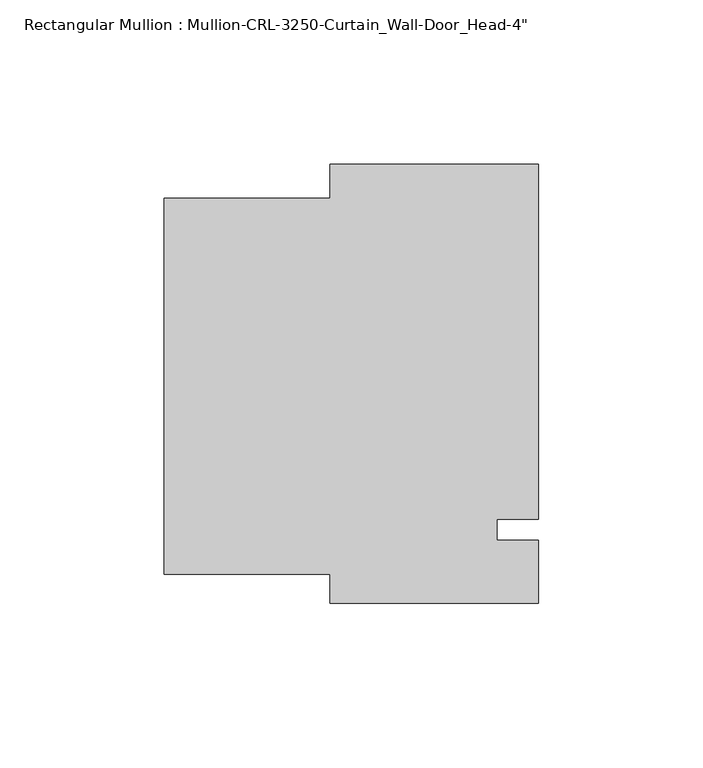
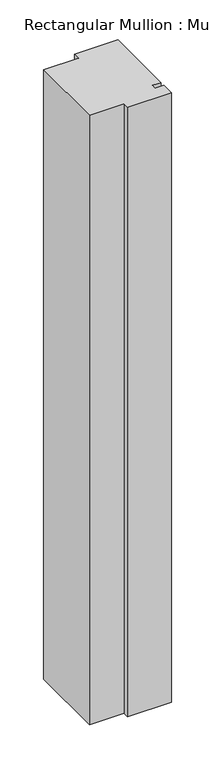
"""IFC4 building model written with IfcOpenShell, lengths in millimetres: member geometry."""

from ifc_helpers import new_model, si_unit, frame, origin, place, context, project, spatial, polyline, outline, extrude, source, transform, mapped, element, save


def member_89f83dc1(model_context):
    return source(origin(), model_context, "Body", "SweptSolid", [
        extrude(outline(polyline([(31.7499985, -3.175), (31.7499985, -22.2254168), (-31.7499985, -22.2254168), (-31.7499985, -13.4944325), (-82.1279058, -13.4944325), (-82.1279058, 100.8055675), (-31.7499985, 100.8055675), (-31.7499985, 111.1245832), (31.7499985, 111.1245832), (31.7499985, 3.175), (19.0499985, 3.175), (19.0499985, -3.175), (31.7499985, -3.175)])), frame((0.0, 0.0, -933.4410361), z_axis=(0.0, 0.0, 1.0), x_axis=(1.0, 0.0, 0.0)), (0.0, 0.0, 1.0), 933.4410361),
    ])


if __name__ == "__main__":
    model = new_model("IFC4")
    model_context = context("Model", 3, world=origin())
    ifc_project = project(units=[si_unit("LENGTHUNIT", "METRE", prefix="MILLI")], contexts=[model_context])
    site = spatial("IfcSite", under=ifc_project)
    building = spatial("IfcBuilding", under=site)
    placement = place(None, origin())
    member_shape = member_89f83dc1(model_context)
    element("IfcMember", 1, ObjectType="Rectangular Mullion : Mullion-CRL-3250-Curtain_Wall-Door_Head-4\"", at=placement, inside=building, context=model_context, shape_type="MappedRepresentation", body=[
        mapped(member_shape, transform((0.0, 0.0, 0.0), x_axis=(1.0, 0.0, 0.0), y_axis=(0.0, 1.0, 0.0), z_axis=(0.0, 0.0, 1.0))),
    ])
    save(model, "model.ifc")
